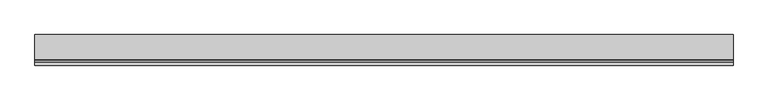
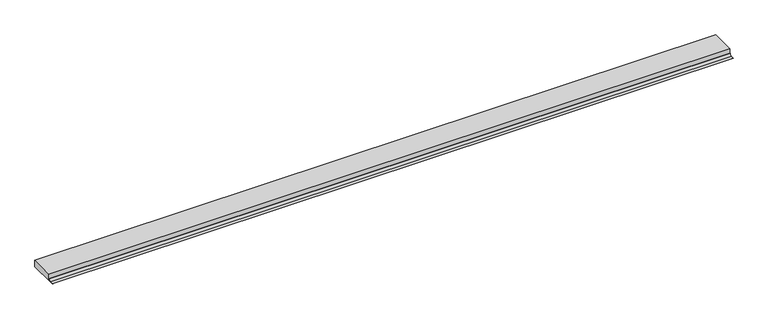
"""IFC4 building model written with IfcOpenShell, lengths in millimetres: proxy geometry."""

from ifc_helpers import new_model, si_unit, point, frame, frame_2d, origin, place, context, project, spatial, polyline, circle_curve, trimmed, segment, composite_curve, outline, extrude, source, transform, mapped, element, save
from ifc_brep_helpers import plane_surface, revolved_surface, advanced_brep


def generic_models_6157d545(model_context):
    return source(origin(), model_context, "Body", "SolidModel", [
        advanced_brep(
        [(-7909.0201995, -28236.0259008, 1376.3899251), (-7909.0201995, -28228.2017273, 1384.2140986), (-7909.0201995, -28228.2017273, 1400.0484763), (-7909.0201995, -28142.3538523, 1400.0484763), (-7909.0201995, -28142.3538523, 1376.3887139), (-5509.0201995, -28236.0259008, 1376.3887139), (-5509.0201995, -28142.3538523, 1376.3887139), (-5509.0201995, -28142.3538523, 1400.0484763), (-5509.0201995, -28228.2017273, 1400.0484763), (-5509.0201995, -28228.2017273, 1384.2140986)],
        [
            (0, 1, circle_curve(frame((-7909.0201995, -28236.0259008, 1384.2140986), z_axis=(1.0, 0.0, 0.0), x_axis=(0.0, 0.0, -1.0)), 7.8241735)),
            (1, 2),
            (2, 3),
            (3, 4),
            (4, 0),
            (5, 6),
            (6, 7),
            (7, 8),
            (8, 9),
            (9, 5, circle_curve(frame((-5509.0201995, -28236.0259008, 1384.2140986), z_axis=(-1.0, 0.0, 0.0), x_axis=(0.0, 0.0, -1.0)), 7.8241735)),
            (2, 8),
            (7, 3),
            (4, 6),
            (5, 0),
            (9, 1),
        ],
        [
            plane_surface(frame((-7909.0201995, -26536.75781, 1426.3887139), z_axis=(-1.0, 0.0, 0.0), x_axis=(0.0, -1.0, 0.0))),
            plane_surface(frame((-5509.0201995, -26536.75781, 1426.3887139), z_axis=(1.0, 0.0, 0.0), x_axis=(0.0, -1.0, 0.0))),
            plane_surface(frame((-7909.0201995, -28228.2017273, 1400.0484763), z_axis=(0.0, 0.0, 1.0), x_axis=(1.0, 0.0, 0.0))),
            plane_surface(frame((-7909.0201995, -28142.3538523, 1376.3887139), z_axis=(0.0, 0.0, -1.0), x_axis=(1.0, 0.0, 0.0))),
            plane_surface(frame((-7909.0201995, -28142.3538523, 1400.0484763), z_axis=(0.0, 1.0, 0.0), x_axis=(1.0, 0.0, 0.0))),
            revolved_surface(polyline([(-5509.0201995, -28236.0259008, 1376.3899251), (-7909.0201995, -28236.0259008, 1376.3899251)]), (-7909.0201995, -28236.0259008, 1384.2140986), (1.0, 0.0, 0.0)),
            plane_surface(frame((-7909.0201995, -28228.2017273, 1384.2140986), z_axis=(0.0, -1.0, 0.0), x_axis=(1.0, 0.0, 0.0))),
        ],
        [
            (0, [[1, 2, 3, 4, 5]]),
            (1, [[6, 7, 8, 9, 10]]),
            (2, [[-3, 11, -8, 12]]),
            (3, [[-5, 13, -6, 14]]),
            (4, [[-4, -12, -7, -13]]),
            (5, [[-1, -14, -10, 15]]),
            (6, [[-2, -15, -9, -11]]),
        ],
    ),
        extrude(outline(composite_curve([segment(polyline([(-28236.027112, 1376.3887139), (-28247.7554276, 1376.3887139), (-28247.7554276, 1377.3887139), (-28236.027112, 1377.3887139)]), True, "CONTINUOUS"), segment(trimmed(circle_curve(frame_2d((-28236.027112, 1384.2140986)), 6.8253847), [point((-28236.027112, 1377.3887139))], [point((-28229.2017273, 1384.2140986))], True, "CARTESIAN"), True, "CONTINUOUS"), segment(polyline([(-28229.2017273, 1384.2140986), (-28228.2017273, 1384.2140986)]), True, "CONTINUOUS"), segment(trimmed(circle_curve(frame_2d((-28236.027112, 1384.2140986)), 7.8253847), [point((-28228.2017273, 1384.2140986))], [point((-28236.027112, 1376.3887139))], False, "CARTESIAN"), True, "CONTINUOUS")], self_intersect=False)), frame((-7909.0201995, 0.0, 0.0), z_axis=(1.0, 0.0, 0.0), x_axis=(0.0, 1.0, 0.0)), (0.0, 0.0, 1.0), 2400.0),
    ])


if __name__ == "__main__":
    model = new_model("IFC4")
    model_context = context("Model", 3, world=origin())
    ifc_project = project(units=[si_unit("LENGTHUNIT", "METRE", prefix="MILLI")], contexts=[model_context])
    site = spatial("IfcSite", under=ifc_project)
    building = spatial("IfcBuilding", under=site)
    placement = place(None, origin())
    generic_models_shape = generic_models_6157d545(model_context)
    element("IfcBuildingElementProxy", 1, Name="Generic Models", at=placement, inside=building, context=model_context, shape_type="MappedRepresentation", body=[
        mapped(generic_models_shape, transform((0.0, 0.0, 0.0), x_axis=(1.0, 0.0, 0.0), y_axis=(0.0, 1.0, 0.0), z_axis=(0.0, 0.0, 1.0))),
    ])
    save(model, "model.ifc")
